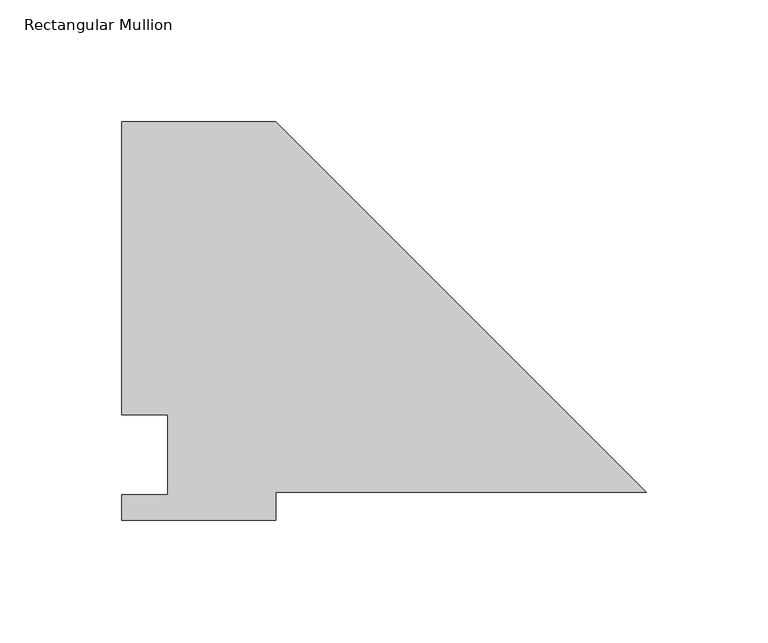
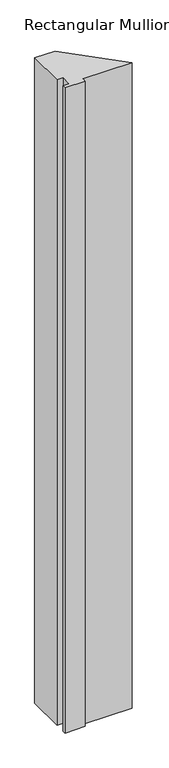
"""IFC4 building model written with IfcOpenShell, lengths in millimetres: member geometry, Rectangular Mullion."""

from ifc_helpers import new_model, si_unit, frame, origin, place, context, project, spatial, polyline, outline, extrude, source, transform, mapped, element, save


def rectangular_mullion_823d1152(model_context):
    return source(origin(), model_context, "Body", "SweptSolid", [
        extrude(outline(polyline([(-152.4, 152.4), (0.0, 0.0), (-152.4, 0.0), (-152.4, -11.684), (-215.9, -11.684), (-215.9, -1.016), (-196.85, -1.016), (-196.85, 31.75), (-215.9, 31.75), (-215.9, 152.4), (-152.4, 152.4)])), frame((0.0, 0.0, -2133.6), z_axis=(0.0, 0.0, 1.0), x_axis=(1.0, 0.0, 0.0)), (0.0, 0.0, 1.0), 2133.6),
    ])


if __name__ == "__main__":
    model = new_model("IFC4")
    model_context = context("Model", 3, world=origin())
    ifc_project = project(units=[si_unit("LENGTHUNIT", "METRE", prefix="MILLI")], contexts=[model_context])
    site = spatial("IfcSite", under=ifc_project)
    building = spatial("IfcBuilding", under=site)
    placement = place(None, origin())
    rectangular_mullion_shape = rectangular_mullion_823d1152(model_context)
    element("IfcMember", 1, ObjectType="Rectangular Mullion", at=placement, inside=building, context=model_context, shape_type="MappedRepresentation", body=[
        mapped(rectangular_mullion_shape, transform((0.0, 0.0, 0.0), x_axis=(1.0, 0.0, 0.0), y_axis=(0.0, 1.0, 0.0), z_axis=(0.0, 0.0, 1.0))),
    ])
    save(model, "model.ifc")
